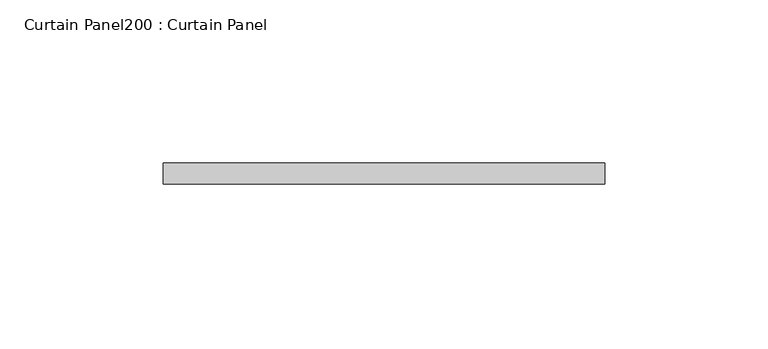
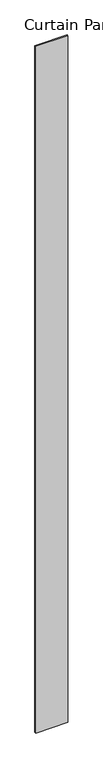
"""IFC4 building model written with IfcOpenShell, lengths in millimetres: plate geometry, Curtain Panel200 : Curtain Panel."""

from ifc_helpers import new_model, si_unit, frame, origin, place, context, project, spatial, polyline, outline, extrude, source, transform, mapped, element, save


def curtain_panel200_curtain_panel_3c15788e(model_context):
    return source(origin(), model_context, "Body", "SweptSolid", [
        extrude(outline(polyline([(607006.0878355, 2927.3975836), (606870.9824294, 2927.3975836), (606870.9824294, 2933.7475836), (607006.0878355, 2933.7475836), (607006.0878355, 2927.3975836)])), frame((0.0, 0.0, 4959.7989371), z_axis=(0.0, 0.0, 1.0), x_axis=(1.0, 0.0, 0.0)), (0.0, 0.0, 1.0), 3048.0),
    ])


if __name__ == "__main__":
    model = new_model("IFC4")
    model_context = context("Model", 3, world=origin())
    ifc_project = project(units=[si_unit("LENGTHUNIT", "METRE", prefix="MILLI")], contexts=[model_context])
    site = spatial("IfcSite", under=ifc_project)
    building = spatial("IfcBuilding", under=site)
    placement = place(None, origin())
    curtain_panel200_curtain_panel_shape = curtain_panel200_curtain_panel_3c15788e(model_context)
    element("IfcPlate", 1, ObjectType="Curtain Panel200 : Curtain Panel", at=placement, inside=building, context=model_context, shape_type="MappedRepresentation", body=[
        mapped(curtain_panel200_curtain_panel_shape, transform((0.0, 0.0, 0.0), x_axis=(1.0, 0.0, 0.0), y_axis=(0.0, 1.0, 0.0), z_axis=(0.0, 0.0, 1.0))),
    ])
    save(model, "model.ifc")
